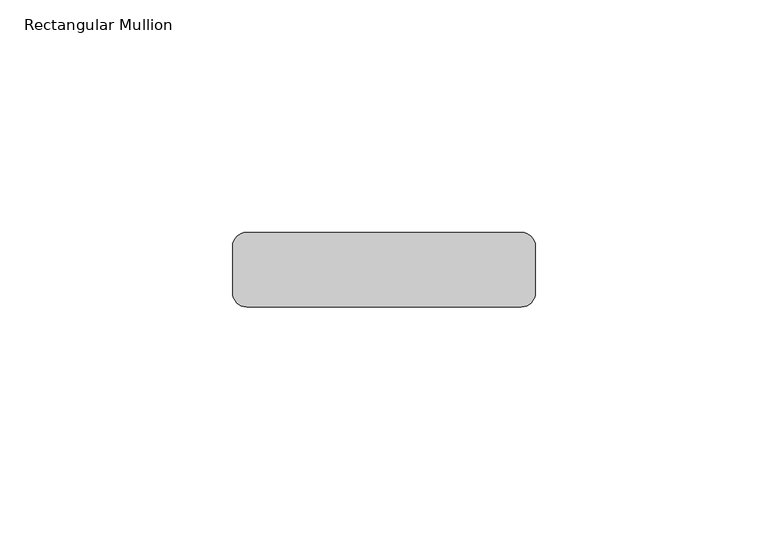
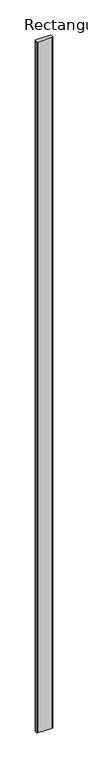
"""IFC4 building model written with IfcOpenShell, lengths in millimetres: member geometry, Rectangular Mullion."""

from ifc_helpers import new_model, si_unit, point, frame, frame_2d, origin, place, context, project, spatial, polyline, circle_curve, trimmed, segment, composite_curve, outline, extrude, source, transform, mapped, element, save


def rectangular_mullion_d3565f7e(model_context):
    return source(origin(), model_context, "Body", "SweptSolid", [
        extrude(outline(composite_curve([segment(polyline([(29.5, -16.0), (-29.5, -16.0)]), True, "CONTINUOUS"), segment(trimmed(circle_curve(frame_2d((-29.5, -13.0)), 3.0), [point((-29.5, -16.0))], [point((-32.5, -13.0))], False, "CARTESIAN"), True, "CONTINUOUS"), segment(polyline([(-32.5, -13.0), (-32.5, -3.0)]), True, "CONTINUOUS"), segment(trimmed(circle_curve(frame_2d((-29.5, -3.0)), 3.0), [point((-32.5, -3.0))], [point((-29.5, 0.0))], False, "CARTESIAN"), True, "CONTINUOUS"), segment(polyline([(-29.5, 0.0), (29.5, 0.0)]), True, "CONTINUOUS"), segment(trimmed(circle_curve(frame_2d((29.5, -3.0)), 3.0), [point((29.5, 0.0))], [point((32.5, -3.0))], False, "CARTESIAN"), True, "CONTINUOUS"), segment(polyline([(32.5, -3.0), (32.5, -13.0)]), True, "CONTINUOUS"), segment(trimmed(circle_curve(frame_2d((29.5, -13.0)), 3.0), [point((32.5, -13.0))], [point((29.5, -16.0))], False, "CARTESIAN"), True, "CONTINUOUS")], self_intersect=False)), frame((0.0, 0.0, -3000.0), z_axis=(0.0, 0.0, 1.0), x_axis=(1.0, 0.0, 0.0)), (0.0, 0.0, 1.0), 3000.0),
    ])


if __name__ == "__main__":
    model = new_model("IFC4")
    model_context = context("Model", 3, world=origin())
    ifc_project = project(units=[si_unit("LENGTHUNIT", "METRE", prefix="MILLI")], contexts=[model_context])
    site = spatial("IfcSite", under=ifc_project)
    building = spatial("IfcBuilding", under=site)
    placement = place(None, origin())
    rectangular_mullion_shape = rectangular_mullion_d3565f7e(model_context)
    element("IfcMember", 1, ObjectType="Rectangular Mullion", at=placement, inside=building, context=model_context, shape_type="MappedRepresentation", body=[
        mapped(rectangular_mullion_shape, transform((0.0, 0.0, 0.0), x_axis=(1.0, 0.0, 0.0), y_axis=(0.0, 1.0, 0.0), z_axis=(0.0, 0.0, 1.0))),
    ])
    save(model, "model.ifc")
